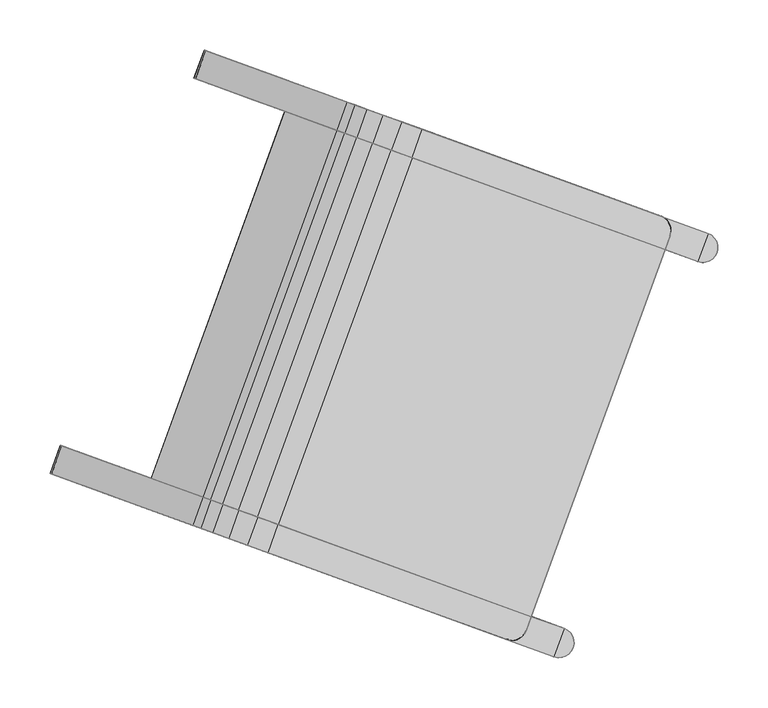
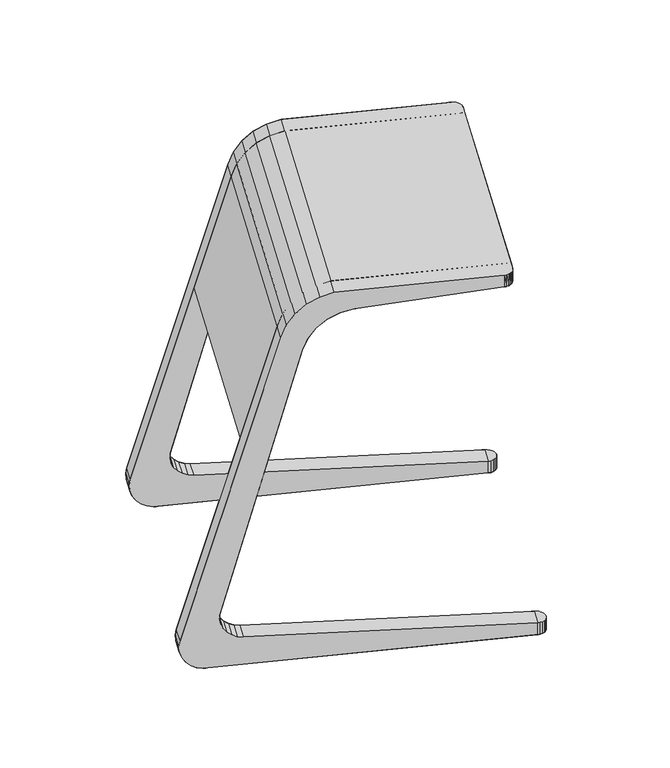
"""IFC4 building model written with IfcOpenShell, lengths in millimetres: furniture geometry."""

from ifc_helpers import new_model, si_unit, origin, place, context, project, spatial, triangles, source, transform, mapped, element, save


def furniture_77c958ab(model_context):
    return source(origin(), model_context, "Body", "Tessellation", [
        triangles([(543.3030234, -118.071645, 93.477997), (542.9309531, -117.9361881, 84.4440008), (487.7040915, -97.8353802, 53.744998), (544.5744574, -118.5344074, 75.5719996), (548.1413909, -119.832584, 67.3639977), (486.1838355, -97.2819256, 43.6249989), (553.4282775, -121.7568852, 60.2850012), (560.137461, -124.1988873, 54.7349993), (519.7663787, -109.5050167, 0.0), (510.5122924, -106.1369084, 2.8420001), (567.8890227, -127.0202267, 51.0289983), (490.0487158, -98.6888165, 23.6960009), (486.9805892, -97.5720242, 33.4109989), (502.1659995, -103.0990124, 7.9550002), (495.2103194, -100.5674809, 15.0440002), (629.0631957, -149.2857281, 578.3600101), (658.8279486, -160.1193691, 552.2929965), (693.8287192, -172.8584171, 603.559017), (664.3944693, -162.1454083, 633.632036), (683.2043677, -168.991502, 644.3760023), (712.0284804, -179.4827221, 613.0050247), (678.3160033, -167.2125408, 589.7069919), (648.52974, -156.3710514, 618.4299843), (703.8775244, -176.5160427, 650.0460051), (731.836283, -186.6921658, 617.4860012), (942.1292609, -263.232552, 650.0460051), (942.1292609, -263.232552, 629.2139917), (636.5223334, -152.0006787, 599.6459928), (666.4129508, -162.8799565, 572.2729906), (945.6023047, -265.0402905, 650.0460051), (951.0944113, -282.4581227, 650.0460051), (948.4893378, -267.6863499, 650.0460051), (950.5929885, -270.9878925, 650.0460051), (693.6171042, -204.7067639, 650.0460051), (946.2054656, -296.6412686, 650.0460051), (951.9417433, -278.6353909, 650.0460051), (951.7708235, -274.722839, 650.0460051), (951.3356757, -282.545908, 650.0460051), (721.5758628, -214.8828869, 617.4860012), (946.2054656, -296.6412686, 630.0129982), (701.7680602, -207.6734432, 613.0050247), (672.9439475, -197.1822231, 644.3760023), (683.5680083, -201.0491383, 603.559017), (654.1340491, -190.3361294, 633.632036), (638.2690291, -184.5617726, 618.4299843), (668.0555831, -195.403262, 589.7069919), (656.1525305, -191.0706776, 572.2729906), (626.2616225, -180.1913998, 599.6459928), (618.8024848, -177.4764492, 578.3600101), (648.5672377, -188.3100903, 552.2929965), (533.0423125, -146.2623661, 93.477997), (477.4436713, -126.0261013, 53.744998), (509.5059584, -137.6957379, 0.0), (549.8770407, -152.3896084, 54.7349993), (543.1675666, -149.9476063, 60.2850012), (500.2518721, -134.3276295, 2.8420001), (557.6286025, -155.2109478, 51.0289983), (532.6702422, -146.1269093, 84.4440008), (537.8809706, -148.0235958, 67.3639977), (534.3137465, -146.7251286, 75.5719996), (475.9231246, -125.4726467, 43.6249989), (479.7880049, -126.8795376, 23.6960009), (476.7198783, -125.7627453, 33.4109989), (491.9055793, -131.2897335, 7.9550002), (484.9498992, -128.758202, 15.0440002), (576.2428733, -130.0607388, 49.3760014), (565.982453, -158.2517506, 49.3760014), (951.0944113, -282.4581227, 629.9999903), (951.3356757, -282.545908, 630.0129982), (997.5776206, -288.0888836, 0.0), (998.7554557, -291.82383, 0.0), (998.9263755, -295.7363819, 0.0), (995.4739699, -284.7873409, 0.0), (989.113893, -280.333543, 0.0), (992.5869368, -282.1412815, 0.0), (978.8531821, -308.5242642, 0.0), (998.0790435, -299.5591137, 0.0), (996.2710143, -303.0321575, 0.0), (993.6249549, -305.9194813, 0.0), (990.3222495, -308.0237133, 0.0), (982.6759139, -309.3718868, 0.0), (986.5884658, -309.2006764, 0.0), (978.8531821, -308.5242642, 20.97), (989.113893, -280.333543, 20.97), (581.3762809, -163.8546063, 385.0460103), (566.7135131, -158.5177227, 385.0460103), (632.4374083, -182.4392277, 574.5450176), (638.596044, -184.6809513, 592.3710008), (661.7117842, -193.0941006, 620.9610071), (648.5428206, -188.3010792, 608.1419858), (677.3564688, -198.7885204, 630.1020189), (694.5885565, -205.0605213, 635.0459759), (946.2054656, -296.6412686, 635.0459759), (560.2293158, -571.1870106, 650.0460051), (539.5561591, -563.6624699, 644.3760023), (520.7462607, -556.8163761, 633.632036), (504.8815314, -551.0420193, 618.4299843), (492.8741248, -546.6716465, 599.6459928), (485.4146964, -543.956696, 578.3600101), (433.3257247, -524.9979695, 385.0460103), (447.9887831, -530.334853, 385.0460103), (499.0496199, -548.9194744, 574.5450176), (505.2085463, -551.1609074, 592.3710008), (515.1550322, -554.7813259, 608.1419858), (528.3239958, -559.5743473, 620.9610071), (543.9689711, -565.2687672, 630.1020189), (561.2010588, -571.5404774, 635.0459759), (812.8176772, -663.1215153, 635.0459759), (812.8176772, -663.1215153, 650.0460051), (997.5776206, -288.0888836, 20.97), (998.7554557, -291.82383, 20.97), (998.9263755, -295.7363819, 20.97), (995.4739699, -284.7873409, 20.97), (992.5869368, -282.1412815, 20.97), (998.0790435, -299.5591137, 20.97), (996.2710143, -303.0321575, 20.97), (993.6249549, -305.9194813, 20.97), (990.3222495, -308.0237133, 20.97), (982.6759139, -309.3718868, 20.97), (986.5884658, -309.2006764, 20.97), (951.8827353, -279.192915, 629.980006), (951.9237212, -275.834399, 629.9220154), (951.217369, -272.5505879, 629.8289978), (949.7976882, -269.5065876, 629.7040054), (947.7367675, -266.8538426, 629.555032), (945.1363448, -264.7269375, 629.3889811), (333.795172, -520.6970692, 53.744998), (389.0220336, -540.7978771, 84.4440008), (389.3941039, -540.933334, 93.477997), (332.274916, -520.1436146, 43.6249989), (394.2324713, -542.6945637, 67.3639977), (390.6655379, -541.3960964, 75.5719996), (356.6033728, -528.9985974, 2.8420001), (365.8574591, -532.3667057, 0.0), (406.2285414, -547.0605763, 54.7349993), (399.5190673, -544.6185742, 60.2850012), (413.9801032, -549.8819157, 51.0289983), (333.0716696, -520.4337132, 33.4109989), (336.1397963, -521.5505055, 23.6960009), (341.3013999, -523.4291699, 15.0440002), (348.25708, -525.9607014, 7.9550002), (504.9190291, -582.9810581, 552.2929965), (475.1539855, -572.1474171, 578.3600101), (558.1195609, -602.3444111, 613.0050247), (529.2954482, -591.853191, 644.3760023), (510.4855498, -585.0070973, 633.632036), (539.919509, -595.7201061, 603.559017), (494.6208205, -579.2327404, 618.4299843), (524.4070838, -590.0742298, 589.7069919), (577.9273635, -609.5538548, 617.4860012), (549.9686049, -599.3777317, 650.0460051), (788.2203414, -686.094241, 629.2139917), (788.2203414, -686.094241, 650.0460051), (512.5040312, -585.7416454, 572.2729906), (482.6134139, -574.8623676, 599.6459928), (795.9553343, -686.7706532, 650.0460051), (807.445912, -677.1290905, 650.0460051), (792.0427825, -686.941573, 650.0460051), (799.6891181, -685.5933994, 650.0460051), (802.9921141, -683.4891674, 650.0460051), (805.6381736, -680.6021343, 650.0460051), (807.6874671, -677.2168759, 650.0460051), (812.8176772, -663.1215153, 630.0129982), (588.1880744, -581.3631336, 617.4860012), (568.3802718, -574.15369, 613.0050247), (550.1802199, -567.529385, 603.559017), (534.6677947, -561.883218, 589.7069919), (515.1794493, -554.7900463, 552.2929965), (522.7647422, -557.5509243, 572.2729906), (344.0558829, -492.5063481, 53.744998), (399.6545241, -512.7426129, 93.477997), (366.8640837, -500.8078762, 2.8420001), (409.7797782, -516.427853, 60.2850012), (416.4892523, -518.8698551, 54.7349993), (376.11817, -504.1759846, 0.0), (424.2408141, -521.6911946, 51.0289983), (399.2824538, -512.607156, 84.4440008), (342.5353362, -491.9528935, 43.6249989), (400.9259581, -513.2053753, 75.5719996), (404.4931822, -514.5035519, 67.3639977), (343.3323806, -492.242992, 33.4109989), (346.4002166, -493.3597843, 23.6960009), (351.5621108, -495.2384487, 15.0440002), (358.5177909, -497.7699803, 7.9550002), (432.5946646, -524.7317066, 49.3760014), (422.3339537, -552.9224278, 49.3760014), (807.6874671, -677.2168759, 630.0129982), (807.445912, -677.1290905, 629.9999903), (842.9399665, -703.8716442, 0.0), (852.6228057, -697.7031254, 0.0), (849.9767462, -700.5901585, 0.0), (846.6737502, -702.6946812, 0.0), (839.0277053, -704.042564, 0.0), (835.2049735, -703.195232, 0.0), (845.4653937, -675.0042202, 0.0), (854.4305442, -694.2300816, 0.0), (855.1069564, -686.4947979, 0.0), (855.2781668, -690.4073498, 0.0), (848.9387282, -676.8122494, 0.0), (853.929412, -682.7598515, 0.0), (851.8257613, -679.4583088, 0.0), (835.2049735, -703.195232, 20.97), (845.4653937, -675.0042202, 20.97), (842.9399665, -703.8716442, 20.97), (852.6228057, -697.7031254, 20.97), (849.9767462, -700.5901585, 20.97), (846.6737502, -702.6946812, 20.97), (839.0277053, -704.042564, 20.97), (854.4305442, -694.2300816, 20.97), (855.1069564, -686.4947979, 20.97), (855.2781668, -690.4073498, 20.97), (848.9387282, -676.8122494, 20.97), (853.929412, -682.7598515, 20.97), (851.8257613, -679.4583088, 20.97), (801.1718764, -684.7975178, 629.8289978), (803.8237494, -682.7363064, 629.9220154), (805.9509452, -680.1370464, 629.980006), (794.8437743, -686.9247135, 629.555032), (798.1275855, -686.2171986, 629.7040054), (791.484677, -686.8822743, 629.3889811)], [[1, 2, 3], [3, 4, 5], [6, 3, 5], [2, 4, 3], [7, 8, 9], [7, 9, 10], [9, 8, 11], [12, 5, 7], [5, 12, 13], [13, 6, 5], [7, 14, 15], [7, 15, 12], [14, 7, 10], [16, 1, 3], [1, 16, 17], [18, 19, 20], [18, 20, 21], [22, 23, 19], [22, 19, 18], [21, 20, 24], [25, 21, 24], [26, 27, 25], [26, 25, 24], [16, 28, 29], [16, 29, 17], [22, 29, 28], [22, 28, 23], [31, 30, 26], [30, 31, 32], [32, 31, 33], [26, 24, 34], [35, 26, 34], [31, 36, 37], [31, 37, 33], [31, 35, 38], [39, 40, 35], [34, 39, 35], [34, 41, 39], [41, 34, 42], [43, 41, 42], [43, 42, 44], [44, 45, 46], [44, 46, 43], [47, 48, 49], [47, 49, 50], [48, 47, 46], [48, 46, 45], [51, 50, 49], [52, 51, 49], [53, 54, 55], [56, 53, 55], [57, 54, 53], [52, 58, 51], [59, 60, 52], [59, 52, 61], [58, 52, 60], [62, 55, 59], [62, 59, 63], [64, 56, 55], [65, 64, 55], [62, 65, 55], [59, 61, 63], [2, 1, 51], [2, 51, 58], [4, 2, 58], [4, 58, 60], [5, 4, 60], [5, 60, 59], [7, 5, 59], [7, 59, 55], [8, 7, 55], [8, 55, 54], [11, 8, 54], [11, 54, 57], [66, 11, 57], [66, 57, 67], [17, 50, 51], [17, 51, 1], [21, 25, 39], [21, 39, 41], [18, 21, 41], [18, 41, 43], [22, 18, 43], [22, 43, 46], [29, 22, 46], [29, 46, 47], [17, 29, 47], [17, 47, 50], [68, 69, 40], [40, 69, 38], [40, 38, 35], [49, 48, 28], [49, 28, 16], [48, 45, 23], [48, 23, 28], [19, 23, 45], [19, 45, 44], [44, 42, 20], [44, 20, 19], [42, 34, 24], [42, 24, 20], [3, 52, 49], [3, 49, 16], [53, 56, 10], [53, 10, 9], [56, 64, 14], [56, 14, 10], [64, 65, 15], [64, 15, 14], [12, 15, 65], [12, 65, 62], [62, 63, 13], [62, 13, 12], [63, 61, 6], [63, 6, 13], [61, 52, 3], [61, 3, 6], [70, 71, 72], [73, 70, 72], [74, 73, 72], [73, 74, 75], [53, 9, 74], [53, 74, 76], [74, 72, 77], [74, 77, 76], [76, 77, 78], [76, 78, 79], [76, 79, 80], [76, 80, 81], [80, 82, 81], [83, 84, 66], [83, 66, 67], [31, 38, 69], [31, 69, 68], [49, 85, 86], [85, 49, 87], [49, 48, 88], [49, 88, 87], [45, 89, 90], [45, 90, 48], [90, 88, 48], [91, 89, 44], [91, 44, 42], [89, 45, 44], [92, 91, 42], [92, 42, 34], [35, 93, 92], [35, 92, 34], [94, 34, 42], [94, 42, 95], [95, 42, 44], [95, 44, 96], [96, 44, 45], [96, 45, 97], [97, 45, 48], [97, 48, 98], [98, 48, 49], [98, 49, 99], [99, 49, 86], [99, 86, 100], [100, 86, 85], [100, 85, 101], [101, 85, 87], [101, 87, 102], [88, 103, 102], [88, 102, 87], [90, 104, 103], [90, 103, 88], [104, 90, 89], [104, 89, 105], [91, 106, 105], [91, 105, 89], [92, 107, 106], [92, 106, 91], [107, 92, 93], [107, 93, 108], [108, 93, 35], [108, 35, 109], [109, 35, 34], [109, 34, 94], [102, 99, 100], [102, 100, 101], [102, 103, 98], [102, 98, 99], [98, 104, 105], [98, 105, 97], [98, 103, 104], [95, 96, 105], [95, 105, 106], [96, 97, 105], [94, 95, 106], [94, 106, 107], [94, 107, 108], [94, 108, 109], [110, 111, 112], [113, 110, 112], [84, 113, 112], [113, 84, 114], [84, 112, 115], [84, 115, 83], [83, 115, 116], [83, 116, 117], [83, 117, 118], [83, 118, 119], [118, 120, 119], [83, 76, 81], [83, 81, 119], [119, 81, 82], [119, 82, 120], [82, 120, 118], [82, 118, 80], [118, 80, 79], [118, 79, 117], [79, 117, 116], [79, 116, 78], [116, 78, 77], [116, 77, 115], [77, 115, 112], [77, 112, 72], [112, 72, 71], [112, 71, 111], [71, 111, 110], [71, 110, 70], [110, 70, 73], [110, 73, 113], [73, 113, 114], [73, 114, 75], [114, 75, 74], [114, 74, 84], [68, 121, 122], [68, 122, 123], [31, 68, 121], [31, 121, 36], [121, 36, 37], [121, 37, 122], [37, 122, 123], [37, 123, 33], [68, 123, 124], [68, 124, 125], [68, 125, 126], [68, 126, 27], [33, 123, 124], [33, 124, 125], [33, 125, 32], [32, 125, 126], [32, 126, 30], [30, 126, 27], [30, 27, 26], [67, 57, 53], [76, 67, 53], [67, 76, 83], [84, 74, 9], [84, 9, 66], [66, 9, 11], [127, 128, 129], [130, 131, 132], [130, 132, 127], [127, 132, 128], [133, 134, 135], [133, 135, 136], [134, 137, 135], [136, 138, 139], [138, 136, 131], [131, 130, 138], [139, 140, 141], [139, 141, 136], [141, 133, 136], [127, 142, 143], [142, 127, 129], [144, 145, 146], [144, 146, 147], [147, 146, 148], [147, 148, 149], [150, 151, 145], [150, 145, 144], [151, 150, 152], [151, 152, 153], [142, 154, 155], [142, 155, 143], [148, 155, 154], [148, 154, 149], [153, 156, 157], [156, 153, 158], [156, 159, 157], [109, 94, 151], [109, 151, 153], [159, 160, 161], [159, 161, 157], [157, 162, 109], [94, 109, 163], [94, 163, 164], [95, 94, 164], [95, 164, 165], [96, 95, 165], [96, 165, 166], [166, 167, 97], [166, 97, 96], [168, 99, 98], [168, 98, 169], [97, 167, 169], [97, 169, 98], [170, 99, 168], [170, 168, 171], [172, 173, 174], [172, 174, 175], [176, 175, 174], [170, 171, 177], [178, 170, 179], [178, 179, 180], [177, 179, 170], [181, 180, 173], [182, 181, 173], [183, 173, 172], [183, 172, 184], [173, 183, 182], [181, 178, 180], [177, 171, 129], [177, 129, 128], [179, 177, 128], [179, 128, 132], [180, 179, 132], [180, 132, 131], [173, 180, 131], [173, 131, 136], [174, 173, 136], [174, 136, 135], [176, 174, 135], [176, 135, 137], [185, 176, 137], [185, 137, 186], [129, 171, 168], [129, 168, 142], [165, 164, 150], [165, 150, 144], [166, 165, 144], [166, 144, 147], [167, 166, 147], [167, 147, 149], [169, 167, 149], [169, 149, 154], [168, 169, 154], [168, 154, 142], [163, 187, 188], [109, 162, 187], [109, 187, 163], [143, 155, 98], [143, 98, 99], [155, 148, 97], [155, 97, 98], [96, 97, 148], [96, 148, 146], [146, 145, 95], [146, 95, 96], [145, 151, 94], [145, 94, 95], [143, 99, 170], [143, 170, 127], [134, 133, 172], [134, 172, 175], [133, 141, 184], [133, 184, 172], [141, 140, 183], [141, 183, 184], [182, 183, 140], [182, 140, 139], [139, 138, 181], [139, 181, 182], [138, 130, 178], [138, 178, 181], [130, 127, 170], [130, 170, 178], [189, 190, 191], [189, 191, 192], [190, 193, 194], [193, 190, 189], [195, 194, 134], [195, 134, 175], [195, 196, 190], [195, 190, 194], [197, 198, 196], [195, 197, 196], [199, 200, 197], [195, 199, 197], [199, 201, 200], [185, 186, 202], [185, 202, 203], [188, 187, 162], [188, 162, 157], [204, 205, 206], [204, 206, 207], [205, 208, 202], [208, 205, 204], [203, 209, 205], [203, 205, 202], [210, 211, 209], [203, 210, 209], [212, 213, 210], [203, 212, 210], [212, 214, 213], [212, 199, 195], [212, 195, 203], [214, 201, 199], [214, 199, 212], [200, 213, 214], [200, 214, 201], [210, 197, 200], [210, 200, 213], [198, 211, 210], [198, 210, 197], [209, 196, 198], [209, 198, 211], [190, 205, 209], [190, 209, 196], [206, 191, 190], [206, 190, 205], [192, 207, 206], [192, 206, 191], [204, 189, 192], [204, 192, 207], [193, 208, 204], [193, 204, 189], [202, 194, 193], [202, 193, 208], [215, 216, 217], [215, 217, 188], [161, 217, 188], [161, 188, 157], [216, 160, 161], [216, 161, 217], [159, 215, 216], [159, 216, 160], [218, 219, 215], [218, 215, 188], [152, 220, 218], [152, 218, 188], [219, 215, 159], [156, 218, 219], [156, 219, 159], [158, 220, 218], [158, 218, 156], [153, 152, 220], [153, 220, 158], [185, 175, 176], [203, 195, 175], [203, 175, 185], [194, 186, 134], [186, 194, 202], [186, 137, 134], [150, 164, 163], [150, 163, 152], [39, 25, 27], [39, 27, 40], [35, 31, 26], [153, 157, 109], [40, 27, 68], [163, 188, 152]], closed=False),
    ])


if __name__ == "__main__":
    model = new_model("IFC4")
    model_context = context("Model", 3, world=origin())
    ifc_project = project(units=[si_unit("LENGTHUNIT", "METRE", prefix="MILLI")], contexts=[model_context])
    site = spatial("IfcSite", under=ifc_project)
    building = spatial("IfcBuilding", under=site)
    placement = place(None, origin())
    furniture_shape = furniture_77c958ab(model_context)
    element("IfcFurniture", 1, at=placement, inside=building, context=model_context, shape_type="MappedRepresentation", body=[
        mapped(furniture_shape, transform((0.0, 0.0, 0.0), x_axis=(1.0, 0.0, 0.0), y_axis=(0.0, 1.0, 0.0), z_axis=(0.0, 0.0, 1.0))),
    ])
    save(model, "model.ifc")
